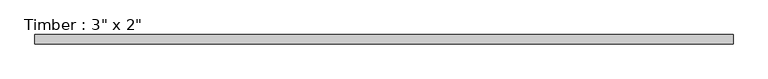
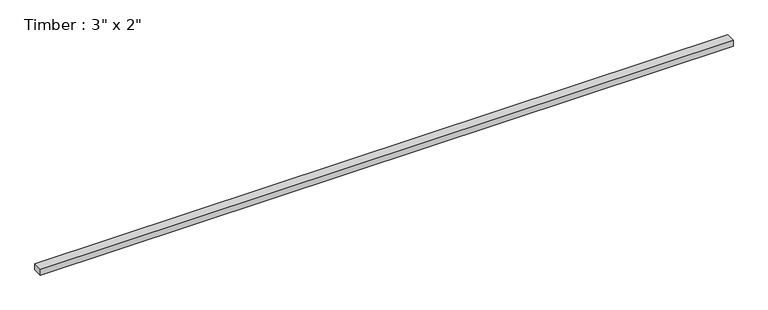
"""IFC4 building model written with IfcOpenShell, lengths in millimetres: beam geometry."""

from ifc_helpers import new_model, si_unit, frame, origin, place, context, project, spatial, polyline, outline, extrude, source, transform, mapped, element, save


def beam_d53c724c(model_context):
    return source(origin(), model_context, "Body", "SweptSolid", [
        extrude(outline(polyline([(2835.1709866, -38.1), (-2835.1709866, -38.1), (-2835.1709866, 38.1), (2835.1709866, 38.1), (2835.1709866, -38.1)])), frame((0.0, 0.0, -25.4), z_axis=(0.0, 0.0, 1.0), x_axis=(1.0, 0.0, 0.0)), (0.0, 0.0, 1.0), 50.8),
    ])


if __name__ == "__main__":
    model = new_model("IFC4")
    model_context = context("Model", 3, world=origin())
    ifc_project = project(units=[si_unit("LENGTHUNIT", "METRE", prefix="MILLI")], contexts=[model_context])
    site = spatial("IfcSite", under=ifc_project)
    building = spatial("IfcBuilding", under=site)
    placement = place(None, origin())
    beam_shape = beam_d53c724c(model_context)
    element("IfcBeam", 1, ObjectType="Timber : 3\" x 2\"", at=placement, inside=building, context=model_context, shape_type="MappedRepresentation", body=[
        mapped(beam_shape, transform((0.0, 0.0, 0.0), x_axis=(1.0, 0.0, 0.0), y_axis=(0.0, 1.0, 0.0), z_axis=(0.0, 0.0, 1.0))),
    ])
    save(model, "model.ifc")
